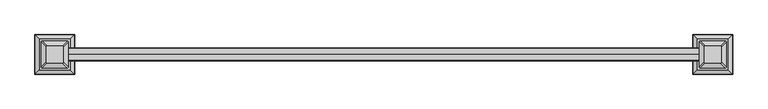
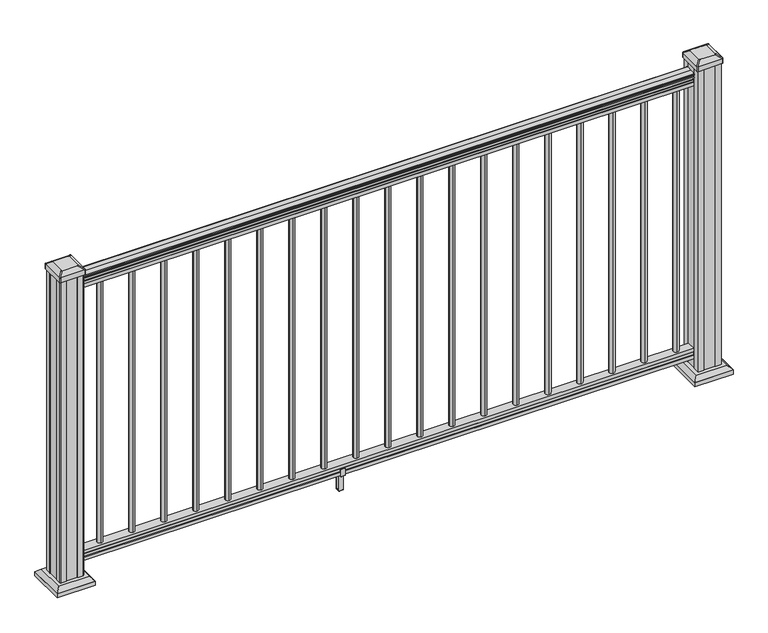
"""IFC4 building model written with IfcOpenShell, lengths in millimetres: railing geometry."""

from ifc_helpers import new_model, si_unit, point, frame, frame_2d, origin, origin_with_axes, place, context, project, spatial, polyline, circle_curve, trimmed, segment, composite_curve, outline, extrude, faceted_brep, source, transform, mapped, element, save
from ifc_brep_helpers import plane_surface, cylinder_surface, revolved_surface, extruded_surface, advanced_brep


def railing_d47a50ef(model_context):
    return source(origin(), model_context, "Body", "SolidModel", [
        advanced_brep(
        [(19144.2024269, -21587.0902081, 1090.8043297), (19144.2024269, -21587.0902081, 1092.692412), (19144.2024269, -21585.9600218, 1094.2546695), (19144.2024269, -21585.9600218, 1101.4726458), (19144.2024269, -21586.6092782, 1103.9060812), (19144.2024269, -21584.1092782, 1108.2362083), (19144.2024269, -21582.6999357, 1109.9157972), (19144.2024269, -21582.2980367, 1111.0205318), (19144.2024269, -21582.2980368, 1112.3608158), (19144.2024269, -21583.851484, 1113.914263), (19144.2024269, -21604.5230368, 1113.914263), (19144.2024269, -21625.1945896, 1113.914263), (19144.2024269, -21626.7480368, 1112.3608158), (19144.2024269, -21626.7480368, 1111.0205318), (19144.2024269, -21626.3461379, 1109.9157972), (19144.2024269, -21624.9367954, 1108.2362083), (19144.2024269, -21622.4367954, 1103.9060812), (19144.2024269, -21623.0860518, 1101.4726458), (19144.2024269, -21623.0860518, 1094.2546695), (19144.2024269, -21621.9558655, 1092.692412), (19144.2024269, -21621.9558656, 1090.8043297), (19144.2024269, -21619.3820368, 1090.8043297), (19144.2024269, -21619.3820368, 1080.3048283), (19144.2024269, -21620.3980368, 1079.2888283), (19144.2024269, -21620.3980368, 1066.8), (19144.2024269, -21588.6480368, 1066.8), (19144.2024269, -21588.6480368, 1079.131013), (19144.2024269, -21589.6640368, 1080.147013), (19144.2024269, -21589.6640368, 1090.8043297), (17010.6024269, -21587.0902081, 1090.8043297), (17010.6024269, -21589.6640368, 1090.8043297), (17010.6024269, -21589.6640368, 1080.147013), (17010.6024269, -21588.6480368, 1079.131013), (17010.6024269, -21588.6480368, 1066.8), (17010.6024269, -21620.3980368, 1066.8), (17010.6024269, -21620.3980368, 1079.2888283), (17010.6024269, -21619.3820368, 1080.3048283), (17010.6024269, -21619.3820368, 1090.8043297), (17010.6024269, -21621.9558655, 1090.8043297), (17010.6024269, -21621.9558655, 1092.692412), (17010.6024269, -21623.0860518, 1094.2546695), (17010.6024269, -21623.0860518, 1101.4726458), (17010.6024269, -21622.4367954, 1103.9060812), (17010.6024269, -21624.9367954, 1108.2362083), (17010.6024269, -21626.3461379, 1109.9157972), (17010.6024269, -21626.7480369, 1111.0205318), (17010.6024269, -21626.7480368, 1112.3608158), (17010.6024269, -21625.1945896, 1113.914263), (17010.6024269, -21604.5230368, 1113.914263), (17010.6024269, -21583.851484, 1113.914263), (17010.6024269, -21582.2980368, 1112.3608158), (17010.6024269, -21582.2980368, 1111.0205318), (17010.6024269, -21582.6999357, 1109.9157972), (17010.6024269, -21584.1092782, 1108.2362083), (17010.6024269, -21586.6092782, 1103.9060812), (17010.6024269, -21585.9600218, 1101.4726458), (17010.6024269, -21585.9600218, 1094.2546695), (17010.6024269, -21587.0902081, 1092.692412)],
        [
            (0, 1),
            (1, 2, circle_curve(frame((19144.2024269, -21593.4049614, 1098.4506383), z_axis=(1.0, 0.0, 0.0), x_axis=(0.0, -1.0, 0.0)), 8.545951)),
            (2, 3, circle_curve(frame((19144.2024269, -21592.9678984, 1097.8636577), z_axis=(1.0, 0.0, 0.0), x_axis=(0.0, -1.0, 0.0)), 7.882584)),
            (3, 4, circle_curve(frame((19144.2024269, -21582.4545743, 1103.7112527), z_axis=(-1.0, 0.0, 0.0), x_axis=(0.0, -1.0, 0.0)), 4.1592695)),
            (4, 5, circle_curve(frame((19144.2024269, -21581.1672677, 1103.6508864), z_axis=(-1.0, 0.0, 0.0), x_axis=(0.0, -1.0, 0.0)), 5.4479907)),
            (5, 6, circle_curve(frame((19144.2024269, -21582.4004262, 1108.233395), z_axis=(-1.0, 0.0, 0.0), x_axis=(0.0, -1.0, 0.0)), 1.7088543)),
            (6, 7, circle_curve(frame((19144.2024269, -21584.0173262, 1111.0205318), z_axis=(1.0, 0.0, 0.0), x_axis=(0.0, -1.0, 0.0)), 1.7192895)),
            (7, 8),
            (8, 9, circle_curve(frame((19144.2024269, -21583.851484, 1112.3608158), z_axis=(1.0, 0.0, 0.0), x_axis=(0.0, -1.0, 0.0)), 1.5534472)),
            (9, 10),
            (10, 11),
            (11, 12, circle_curve(frame((19144.2024269, -21625.1945896, 1112.3608158), z_axis=(1.0, 0.0, 0.0), x_axis=(0.0, 1.0, 0.0)), 1.5534472)),
            (12, 13),
            (13, 14, circle_curve(frame((19144.2024269, -21625.0287474, 1111.0205318), z_axis=(1.0, 0.0, 0.0), x_axis=(0.0, 1.0, 0.0)), 1.7192895)),
            (14, 15, circle_curve(frame((19144.2024269, -21626.6456475, 1108.233395), z_axis=(-1.0, 0.0, 0.0), x_axis=(0.0, 1.0, 0.0)), 1.7088543)),
            (15, 16, circle_curve(frame((19144.2024269, -21627.8788059, 1103.6508864), z_axis=(-1.0, 0.0, 0.0), x_axis=(0.0, 1.0, 0.0)), 5.4479907)),
            (16, 17, circle_curve(frame((19144.2024269, -21626.5914994, 1103.7112527), z_axis=(-1.0, 0.0, 0.0), x_axis=(0.0, 1.0, 0.0)), 4.1592695)),
            (17, 18, circle_curve(frame((19144.2024269, -21616.0781752, 1097.8636577), z_axis=(1.0, 0.0, 0.0), x_axis=(0.0, 1.0, 0.0)), 7.882584)),
            (18, 19, circle_curve(frame((19144.2024269, -21615.6411123, 1098.4506383), z_axis=(1.0, 0.0, 0.0), x_axis=(0.0, 1.0, 0.0)), 8.545951)),
            (19, 20),
            (20, 21, circle_curve(frame((19144.2024269, -21620.6689512, 1090.8043297), z_axis=(1.0, 0.0, 0.0), x_axis=(0.0, 1.0, 0.0)), 1.2869144)),
            (21, 22),
            (22, 23),
            (23, 24),
            (24, 25),
            (25, 26),
            (26, 27),
            (27, 28),
            (28, 0, circle_curve(frame((19144.2024269, -21588.3771224, 1090.8043297), z_axis=(1.0, 0.0, 0.0), x_axis=(0.0, -1.0, 0.0)), 1.2869144)),
            (29, 30, circle_curve(frame((17010.6024269, -21588.3771224, 1090.8043297), z_axis=(-1.0, 0.0, 0.0), x_axis=(0.0, -1.0, 0.0)), 1.2869144)),
            (30, 31),
            (31, 32),
            (32, 33),
            (33, 34),
            (34, 35),
            (35, 36),
            (36, 37),
            (37, 38, circle_curve(frame((17010.6024269, -21620.6689512, 1090.8043297), z_axis=(-1.0, 0.0, 0.0), x_axis=(0.0, 1.0, 0.0)), 1.2869144)),
            (38, 39),
            (39, 40, circle_curve(frame((17010.6024269, -21615.6411123, 1098.4506383), z_axis=(-1.0, 0.0, 0.0), x_axis=(0.0, 1.0, 0.0)), 8.545951)),
            (40, 41, circle_curve(frame((17010.6024269, -21616.0781752, 1097.8636577), z_axis=(-1.0, 0.0, 0.0), x_axis=(0.0, 1.0, 0.0)), 7.882584)),
            (41, 42, circle_curve(frame((17010.6024269, -21626.5914994, 1103.7112527), z_axis=(1.0, 0.0, 0.0), x_axis=(0.0, 1.0, 0.0)), 4.1592695)),
            (42, 43, circle_curve(frame((17010.6024269, -21627.8788059, 1103.6508864), z_axis=(1.0, 0.0, 0.0), x_axis=(0.0, 1.0, 0.0)), 5.4479907)),
            (43, 44, circle_curve(frame((17010.6024269, -21626.6456475, 1108.233395), z_axis=(1.0, 0.0, 0.0), x_axis=(0.0, 1.0, 0.0)), 1.7088543)),
            (44, 45, circle_curve(frame((17010.6024269, -21625.0287474, 1111.0205318), z_axis=(-1.0, 0.0, 0.0), x_axis=(0.0, 1.0, 0.0)), 1.7192895)),
            (45, 46),
            (46, 47, circle_curve(frame((17010.6024269, -21625.1945896, 1112.3608158), z_axis=(-1.0, 0.0, 0.0), x_axis=(0.0, 1.0, 0.0)), 1.5534472)),
            (47, 48),
            (48, 49),
            (49, 50, circle_curve(frame((17010.6024269, -21583.851484, 1112.3608158), z_axis=(-1.0, 0.0, 0.0), x_axis=(0.0, -1.0, 0.0)), 1.5534472)),
            (50, 51),
            (51, 52, circle_curve(frame((17010.6024269, -21584.0173262, 1111.0205318), z_axis=(-1.0, 0.0, 0.0), x_axis=(0.0, -1.0, 0.0)), 1.7192895)),
            (52, 53, circle_curve(frame((17010.6024269, -21582.4004262, 1108.233395), z_axis=(1.0, 0.0, 0.0), x_axis=(0.0, -1.0, 0.0)), 1.7088543)),
            (53, 54, circle_curve(frame((17010.6024269, -21581.1672677, 1103.6508864), z_axis=(1.0, 0.0, 0.0), x_axis=(0.0, -1.0, 0.0)), 5.4479907)),
            (54, 55, circle_curve(frame((17010.6024269, -21582.4545743, 1103.7112527), z_axis=(1.0, 0.0, 0.0), x_axis=(0.0, -1.0, 0.0)), 4.1592695)),
            (55, 56, circle_curve(frame((17010.6024269, -21592.9678984, 1097.8636577), z_axis=(-1.0, 0.0, 0.0), x_axis=(0.0, -1.0, 0.0)), 7.882584)),
            (56, 57, circle_curve(frame((17010.6024269, -21593.4049614, 1098.4506383), z_axis=(-1.0, 0.0, 0.0), x_axis=(0.0, -1.0, 0.0)), 8.545951)),
            (57, 29),
            (28, 30),
            (29, 0),
            (27, 31),
            (26, 32),
            (25, 33),
            (24, 34),
            (23, 35),
            (22, 36),
            (21, 37),
            (20, 38),
            (19, 39),
            (18, 40),
            (17, 41),
            (16, 42),
            (15, 43),
            (14, 44),
            (13, 45),
            (12, 46),
            (11, 47),
            (10, 48),
            (9, 49),
            (8, 50),
            (7, 51),
            (6, 52),
            (5, 53),
            (4, 54),
            (3, 55),
            (2, 56),
            (1, 57),
        ],
        [
            plane_surface(frame((19144.2024269, -21604.5230368, 1066.8), z_axis=(1.0, 0.0, 0.0), x_axis=(0.0, -1.0, 0.0))),
            plane_surface(frame((17010.6024269, -21604.5230368, 1066.8), z_axis=(-1.0, 0.0, 0.0), x_axis=(0.0, -1.0, 0.0))),
            cylinder_surface(frame((19144.2024269, -21588.3771224, 1090.8043297), z_axis=(1.0, 0.0, 0.0), x_axis=(0.0, -1.0, 0.0)), 1.2869144),
            plane_surface(frame((19144.2024269, -21589.6640368, 1080.147013), z_axis=(0.0, 1.0, 0.0), x_axis=(-1.0, 0.0, 0.0))),
            plane_surface(frame((19144.2024269, -21588.6480368, 1079.131013), z_axis=(0.0, 0.7071067811865395, 0.7071067811865556), x_axis=(-1.0, 0.0, 0.0))),
            plane_surface(frame((19144.2024269, -21588.6480368, 1066.8), z_axis=(0.0, 1.0, 0.0), x_axis=(-1.0, 0.0, 0.0))),
            plane_surface(frame((19144.2024269, -21620.3980368, 1066.8), z_axis=(0.0, 0.0, -1.0), x_axis=(-1.0, 0.0, 0.0))),
            plane_surface(frame((19144.2024269, -21620.3980368, 1079.2888283), z_axis=(0.0, -1.0, 0.0), x_axis=(-1.0, 0.0, 0.0))),
            plane_surface(frame((19144.2024269, -21619.3820368, 1080.3048283), z_axis=(0.0, -0.7071067811865432, 0.707106781186552), x_axis=(-1.0, 0.0, 0.0))),
            plane_surface(frame((19144.2024269, -21619.3820368, 1090.8043297), z_axis=(0.0, -1.0, 0.0), x_axis=(-1.0, 0.0, 0.0))),
            cylinder_surface(frame((19144.2024269, -21620.6689512, 1090.8043297), z_axis=(1.0, 0.0, 0.0), x_axis=(0.0, 1.0, 0.0)), 1.2869144),
            plane_surface(frame((19144.2024269, -21621.9558656, 1092.692412), z_axis=(0.0, -1.0, 0.0), x_axis=(-1.0, 0.0, 0.0))),
            cylinder_surface(frame((19144.2024269, -21615.6411123, 1098.4506383), z_axis=(1.0, 0.0, 0.0), x_axis=(0.0, 1.0, 0.0)), 8.545951),
            cylinder_surface(frame((19144.2024269, -21616.0781752, 1097.8636577), z_axis=(1.0, 0.0, 0.0), x_axis=(0.0, 1.0, 0.0)), 7.882584),
            revolved_surface(polyline([(17010.6024269, -21622.4322299, 1103.7112527), (19144.2024269, -21622.4322299, 1103.7112527)]), (19144.2024269, -21626.5914994, 1103.7112527), (-1.0, 0.0, 0.0)),
            revolved_surface(polyline([(17010.6024269, -21622.4308152, 1103.6508864), (19144.2024269, -21622.4308152, 1103.6508864)]), (19144.2024269, -21627.8788059, 1103.6508864), (-1.0, 0.0, 0.0)),
            revolved_surface(polyline([(17010.6024269, -21624.936793200002, 1108.233395), (19144.2024269, -21624.936793200002, 1108.233395)]), (19144.2024269, -21626.6456475, 1108.233395), (-1.0, 0.0, 0.0)),
            cylinder_surface(frame((19144.2024269, -21625.0287474, 1111.0205318), z_axis=(1.0, 0.0, 0.0), x_axis=(0.0, 1.0, 0.0)), 1.7192895),
            plane_surface(frame((19144.2024269, -21626.7480368, 1112.3608158), z_axis=(0.0, -1.0, 0.0), x_axis=(-1.0, 0.0, 0.0))),
            cylinder_surface(frame((19144.2024269, -21625.1945896, 1112.3608158), z_axis=(1.0, 0.0, 0.0), x_axis=(0.0, 1.0, 0.0)), 1.5534472),
            plane_surface(frame((19144.2024269, -21604.5230368, 1113.914263), z_axis=(0.0, 0.0, 1.0), x_axis=(-1.0, 0.0, 0.0))),
            plane_surface(frame((19144.2024269, -21583.851484, 1113.914263), z_axis=(0.0, 0.0, 1.0), x_axis=(-1.0, 0.0, 0.0))),
            cylinder_surface(frame((19144.2024269, -21583.851484, 1112.3608158), z_axis=(1.0, 0.0, 0.0), x_axis=(0.0, -1.0, 0.0)), 1.5534472),
            plane_surface(frame((19144.2024269, -21582.2980368, 1111.0205318), z_axis=(0.0, 1.0, 0.0), x_axis=(-1.0, 0.0, 0.0))),
            cylinder_surface(frame((19144.2024269, -21584.0173262, 1111.0205318), z_axis=(1.0, 0.0, 0.0), x_axis=(0.0, -1.0, 0.0)), 1.7192895),
            revolved_surface(polyline([(17010.6024269, -21584.1092805, 1108.233395), (19144.2024269, -21584.1092805, 1108.233395)]), (19144.2024269, -21582.4004262, 1108.233395), (-1.0, 0.0, 0.0)),
            revolved_surface(polyline([(17010.6024269, -21586.615258399997, 1103.6508864), (19144.2024269, -21586.615258399997, 1103.6508864)]), (19144.2024269, -21581.1672677, 1103.6508864), (-1.0, 0.0, 0.0)),
            revolved_surface(polyline([(17010.6024269, -21586.6138438, 1103.7112527), (19144.2024269, -21586.6138438, 1103.7112527)]), (19144.2024269, -21582.4545743, 1103.7112527), (-1.0, 0.0, 0.0)),
            cylinder_surface(frame((19144.2024269, -21592.9678984, 1097.8636577), z_axis=(1.0, 0.0, 0.0), x_axis=(0.0, -1.0, 0.0)), 7.882584),
            cylinder_surface(frame((19144.2024269, -21593.4049614, 1098.4506383), z_axis=(1.0, 0.0, 0.0), x_axis=(0.0, -1.0, 0.0)), 8.545951),
            plane_surface(frame((19144.2024269, -21587.0902081, 1090.8043297), z_axis=(0.0, 1.0, 0.0), x_axis=(-1.0, 0.0, 0.0))),
        ],
        [
            (0, [[1, 2, 3, 4, 5, 6, 7, 8, 9, 10, 11, 12, 13, 14, 15, 16, 17, 18, 19, 20, 21, 22, 23, 24, 25, 26, 27, 28, 29]]),
            (1, [[30, 31, 32, 33, 34, 35, 36, 37, 38, 39, 40, 41, 42, 43, 44, 45, 46, 47, 48, 49, 50, 51, 52, 53, 54, 55, 56, 57, 58]]),
            (2, [[-29, 59, -30, 60]]),
            (3, [[-28, 61, -31, -59]]),
            (4, [[-27, 62, -32, -61]]),
            (5, [[-26, 63, -33, -62]]),
            (6, [[-25, 64, -34, -63]]),
            (7, [[-24, 65, -35, -64]]),
            (8, [[-23, 66, -36, -65]]),
            (9, [[-22, 67, -37, -66]]),
            (10, [[-21, 68, -38, -67]]),
            (11, [[-20, 69, -39, -68]]),
            (12, [[-19, 70, -40, -69]]),
            (13, [[-18, 71, -41, -70]]),
            (14, [[-17, 72, -42, -71]]),
            (15, [[-16, 73, -43, -72]]),
            (16, [[-15, 74, -44, -73]]),
            (17, [[-14, 75, -45, -74]]),
            (18, [[-13, 76, -46, -75]]),
            (19, [[-12, 77, -47, -76]]),
            (20, [[-11, 78, -48, -77]]),
            (21, [[-10, 79, -49, -78]]),
            (22, [[-9, 80, -50, -79]]),
            (23, [[-8, 81, -51, -80]]),
            (24, [[-7, 82, -52, -81]]),
            (25, [[-6, 83, -53, -82]]),
            (26, [[-5, 84, -54, -83]]),
            (27, [[-4, 85, -55, -84]]),
            (28, [[-3, 86, -56, -85]]),
            (29, [[-2, 87, -57, -86]]),
            (30, [[-1, -60, -58, -87]]),
        ],
    ),
        faceted_brep([(19144.2024269, -21588.6105499, 76.0541976), (19144.2024269, -21589.6265499, 77.3546183), (19144.2024269, -21589.6265499, 87.7141717), (19144.2024269, -21588.6105499, 89.0624492), (19144.2024269, -21588.6105499, 101.5958781), (19144.2024269, -21620.3605499, 101.5958781), (19144.2024269, -21620.3605499, 89.0458024), (19144.2024269, -21619.3445499, 87.6975248), (19144.2024269, -21619.3445499, 77.3858283), (19144.2024269, -21620.3605499, 76.0375508), (19144.2024269, -21620.3605499, 63.5), (19144.2024269, -21588.6105499, 63.5), (17010.6024269, -21588.6105499, 76.0541976), (17010.6024269, -21588.6105499, 63.5), (17010.6024269, -21620.3605499, 63.5), (17010.6024269, -21620.3605499, 76.0375508), (17010.6024269, -21619.3445499, 77.3858283), (17010.6024269, -21619.3445499, 87.6975248), (17010.6024269, -21620.3605499, 89.0458024), (17010.6024269, -21620.3605499, 101.5958781), (17010.6024269, -21588.6105499, 101.5958781), (17010.6024269, -21588.6105499, 89.0624492), (17010.6024269, -21589.6265499, 87.7141717), (17010.6024269, -21589.6265499, 77.3546183)], [[[0, 1, 2, 3, 4, 5, 6, 7, 8, 9, 10, 11]], [[12, 13, 14, 15, 16, 17, 18, 19, 20, 21, 22, 23]], [[0, 11, 13, 12]], [[11, 10, 14, 13]], [[10, 9, 15, 14]], [[9, 8, 16, 15]], [[8, 7, 17, 16]], [[7, 6, 18, 17]], [[6, 5, 19, 18]], [[5, 4, 20, 19]], [[4, 3, 21, 20]], [[3, 2, 22, 21]], [[2, 1, 23, 22]], [[1, 0, 12, 23]]]),
        extrude(outline(composite_curve([segment(trimmed(circle_curve(frame_2d((17089.3424269, -21604.5230368)), 9.525), [point((17089.3424269, -21594.9980368))], [point((17098.8674269, -21604.5230368))], False, "CARTESIAN"), True, "CONTINUOUS"), segment(trimmed(circle_curve(frame_2d((17089.3424269, -21604.5230368)), 9.525), [point((17098.8674269, -21604.5230368))], [point((17089.3424269, -21614.0480368))], False, "CARTESIAN"), True, "CONTINUOUS"), segment(trimmed(circle_curve(frame_2d((17089.3424269, -21604.5230368)), 9.525), [point((17089.3424269, -21614.0480368))], [point((17079.8174269, -21604.5230368))], False, "CARTESIAN"), True, "CONTINUOUS"), segment(trimmed(circle_curve(frame_2d((17089.3424269, -21604.5230368)), 9.525), [point((17079.8174269, -21604.5230368))], [point((17089.3424269, -21594.9980368))], False, "CARTESIAN"), True, "CONTINUOUS")], self_intersect=False)), frame((0.0, 0.0, 101.5958781), z_axis=(0.0, 0.0, 1.0), x_axis=(1.0, 0.0, 0.0)), (0.0, 0.0, 1.0), 965.2041219),
        extrude(outline(composite_curve([segment(trimmed(circle_curve(frame_2d((17200.5944269, -21604.5230368)), 9.525), [point((17200.5944269, -21594.9980368))], [point((17210.1194269, -21604.5230368))], False, "CARTESIAN"), True, "CONTINUOUS"), segment(trimmed(circle_curve(frame_2d((17200.5944269, -21604.5230368)), 9.525), [point((17210.1194269, -21604.5230368))], [point((17200.5944269, -21614.0480368))], False, "CARTESIAN"), True, "CONTINUOUS"), segment(trimmed(circle_curve(frame_2d((17200.5944269, -21604.5230368)), 9.525), [point((17200.5944269, -21614.0480368))], [point((17191.0694269, -21604.5230368))], False, "CARTESIAN"), True, "CONTINUOUS"), segment(trimmed(circle_curve(frame_2d((17200.5944269, -21604.5230368)), 9.525), [point((17191.0694269, -21604.5230368))], [point((17200.5944269, -21594.9980368))], False, "CARTESIAN"), True, "CONTINUOUS")], self_intersect=False)), frame((0.0, 0.0, 101.5958781), z_axis=(0.0, 0.0, 1.0), x_axis=(1.0, 0.0, 0.0)), (0.0, 0.0, 1.0), 965.2041219),
        extrude(outline(composite_curve([segment(trimmed(circle_curve(frame_2d((17311.8464269, -21604.5230368)), 9.525), [point((17311.8464269, -21594.9980368))], [point((17321.3714269, -21604.5230368))], False, "CARTESIAN"), True, "CONTINUOUS"), segment(trimmed(circle_curve(frame_2d((17311.8464269, -21604.5230368)), 9.525), [point((17321.3714269, -21604.5230368))], [point((17311.8464269, -21614.0480368))], False, "CARTESIAN"), True, "CONTINUOUS"), segment(trimmed(circle_curve(frame_2d((17311.8464269, -21604.5230368)), 9.525), [point((17311.8464269, -21614.0480368))], [point((17302.3214269, -21604.5230368))], False, "CARTESIAN"), True, "CONTINUOUS"), segment(trimmed(circle_curve(frame_2d((17311.8464269, -21604.5230368)), 9.525), [point((17302.3214269, -21604.5230368))], [point((17311.8464269, -21594.9980368))], False, "CARTESIAN"), True, "CONTINUOUS")], self_intersect=False)), frame((0.0, 0.0, 101.5958781), z_axis=(0.0, 0.0, 1.0), x_axis=(1.0, 0.0, 0.0)), (0.0, 0.0, 1.0), 965.2041219),
        extrude(outline(composite_curve([segment(trimmed(circle_curve(frame_2d((17423.0984269, -21604.5230368)), 9.525), [point((17423.0984269, -21594.9980368))], [point((17432.6234269, -21604.5230368))], False, "CARTESIAN"), True, "CONTINUOUS"), segment(trimmed(circle_curve(frame_2d((17423.0984269, -21604.5230368)), 9.525), [point((17432.6234269, -21604.5230368))], [point((17423.0984269, -21614.0480368))], False, "CARTESIAN"), True, "CONTINUOUS"), segment(trimmed(circle_curve(frame_2d((17423.0984269, -21604.5230368)), 9.525), [point((17423.0984269, -21614.0480368))], [point((17413.5734269, -21604.5230368))], False, "CARTESIAN"), True, "CONTINUOUS"), segment(trimmed(circle_curve(frame_2d((17423.0984269, -21604.5230368)), 9.525), [point((17413.5734269, -21604.5230368))], [point((17423.0984269, -21594.9980368))], False, "CARTESIAN"), True, "CONTINUOUS")], self_intersect=False)), frame((0.0, 0.0, 101.5958781), z_axis=(0.0, 0.0, 1.0), x_axis=(1.0, 0.0, 0.0)), (0.0, 0.0, 1.0), 965.2041219),
        extrude(outline(composite_curve([segment(trimmed(circle_curve(frame_2d((17534.3504269, -21604.5230368)), 9.525), [point((17534.3504269, -21594.9980368))], [point((17543.8754269, -21604.5230368))], False, "CARTESIAN"), True, "CONTINUOUS"), segment(trimmed(circle_curve(frame_2d((17534.3504269, -21604.5230368)), 9.525), [point((17543.8754269, -21604.5230368))], [point((17534.3504269, -21614.0480368))], False, "CARTESIAN"), True, "CONTINUOUS"), segment(trimmed(circle_curve(frame_2d((17534.3504269, -21604.5230368)), 9.525), [point((17534.3504269, -21614.0480368))], [point((17524.8254269, -21604.5230368))], False, "CARTESIAN"), True, "CONTINUOUS"), segment(trimmed(circle_curve(frame_2d((17534.3504269, -21604.5230368)), 9.525), [point((17524.8254269, -21604.5230368))], [point((17534.3504269, -21594.9980368))], False, "CARTESIAN"), True, "CONTINUOUS")], self_intersect=False)), frame((0.0, 0.0, 101.5958781), z_axis=(0.0, 0.0, 1.0), x_axis=(1.0, 0.0, 0.0)), (0.0, 0.0, 1.0), 965.2041219),
        extrude(outline(composite_curve([segment(trimmed(circle_curve(frame_2d((17645.6024269, -21604.5230368)), 9.525), [point((17645.6024269, -21594.9980368))], [point((17655.1274269, -21604.5230368))], False, "CARTESIAN"), True, "CONTINUOUS"), segment(trimmed(circle_curve(frame_2d((17645.6024269, -21604.5230368)), 9.525), [point((17655.1274269, -21604.5230368))], [point((17645.6024269, -21614.0480368))], False, "CARTESIAN"), True, "CONTINUOUS"), segment(trimmed(circle_curve(frame_2d((17645.6024269, -21604.5230368)), 9.525), [point((17645.6024269, -21614.0480368))], [point((17636.0774269, -21604.5230368))], False, "CARTESIAN"), True, "CONTINUOUS"), segment(trimmed(circle_curve(frame_2d((17645.6024269, -21604.5230368)), 9.525), [point((17636.0774269, -21604.5230368))], [point((17645.6024269, -21594.9980368))], False, "CARTESIAN"), True, "CONTINUOUS")], self_intersect=False)), frame((0.0, 0.0, 101.5958781), z_axis=(0.0, 0.0, 1.0), x_axis=(1.0, 0.0, 0.0)), (0.0, 0.0, 1.0), 965.2041219),
        extrude(outline(composite_curve([segment(trimmed(circle_curve(frame_2d((17756.8544269, -21604.5230368)), 9.525), [point((17756.8544269, -21594.9980368))], [point((17766.3794269, -21604.5230368))], False, "CARTESIAN"), True, "CONTINUOUS"), segment(trimmed(circle_curve(frame_2d((17756.8544269, -21604.5230368)), 9.525), [point((17766.3794269, -21604.5230368))], [point((17756.8544269, -21614.0480368))], False, "CARTESIAN"), True, "CONTINUOUS"), segment(trimmed(circle_curve(frame_2d((17756.8544269, -21604.5230368)), 9.525), [point((17756.8544269, -21614.0480368))], [point((17747.3294269, -21604.5230368))], False, "CARTESIAN"), True, "CONTINUOUS"), segment(trimmed(circle_curve(frame_2d((17756.8544269, -21604.5230368)), 9.525), [point((17747.3294269, -21604.5230368))], [point((17756.8544269, -21594.9980368))], False, "CARTESIAN"), True, "CONTINUOUS")], self_intersect=False)), frame((0.0, 0.0, 101.5958781), z_axis=(0.0, 0.0, 1.0), x_axis=(1.0, 0.0, 0.0)), (0.0, 0.0, 1.0), 965.2041219),
        extrude(outline(composite_curve([segment(trimmed(circle_curve(frame_2d((17868.1064269, -21604.5230368)), 9.525), [point((17868.1064269, -21594.9980368))], [point((17877.6314269, -21604.5230368))], False, "CARTESIAN"), True, "CONTINUOUS"), segment(trimmed(circle_curve(frame_2d((17868.1064269, -21604.5230368)), 9.525), [point((17877.6314269, -21604.5230368))], [point((17868.1064269, -21614.0480368))], False, "CARTESIAN"), True, "CONTINUOUS"), segment(trimmed(circle_curve(frame_2d((17868.1064269, -21604.5230368)), 9.525), [point((17868.1064269, -21614.0480368))], [point((17858.5814269, -21604.5230368))], False, "CARTESIAN"), True, "CONTINUOUS"), segment(trimmed(circle_curve(frame_2d((17868.1064269, -21604.5230368)), 9.525), [point((17858.5814269, -21604.5230368))], [point((17868.1064269, -21594.9980368))], False, "CARTESIAN"), True, "CONTINUOUS")], self_intersect=False)), frame((0.0, 0.0, 101.5958781), z_axis=(0.0, 0.0, 1.0), x_axis=(1.0, 0.0, 0.0)), (0.0, 0.0, 1.0), 965.2041219),
        extrude(outline(polyline([(-21622.6840356, 88.7203979), (-21620.652036, 88.7203979), (-21619.6360363, 87.7043953), (-21619.6360363, 77.2686081), (-21620.652036, 76.2526073), (-21620.652036, 64.262001), (-21619.8900369, 63.5000019), (-21589.1560358, 63.5000019), (-21588.3940366, 64.262001), (-21588.3940366, 76.2526073), (-21589.4100364, 77.2686081), (-21589.4100364, 87.7043953), (-21588.3940366, 88.7203979), (-21586.362037, 88.7203979), (-21585.600036, 87.9583969), (-21585.600036, 61.4680023), (-21586.362037, 60.7060013), (-21596.3950361, 60.7060013), (-21597.1570362, 59.9440012), (-21597.1570362, 0.762001), (-21597.9190372, 0.0), (-21611.1270364, 0.0), (-21611.8890365, 0.7620001), (-21611.8890365, 59.9440012), (-21612.6510366, 60.7060013), (-21622.6840356, 60.7060013), (-21623.4460367, 61.4680023), (-21623.4460367, 87.9583969), (-21622.6840356, 88.7203979)]), holes=[polyline([(-21601.0940364, 60.7060013), (-21607.9520362, 60.7060013), (-21608.7140363, 59.9440012), (-21608.7140363, 3.9370003), (-21607.9520391, 3.1750031), (-21601.0940364, 3.1750031), (-21600.3320363, 3.9370031), (-21600.3320363, 59.9440012), (-21601.0940364, 60.7060013)])]), frame((17916.3664269, 0.0, 0.0), z_axis=(1.0, 0.0, 0.0), x_axis=(0.0, 1.0, 0.0)), (0.0, 0.0, 1.0), 14.732),
        extrude(outline(composite_curve([segment(trimmed(circle_curve(frame_2d((17979.3584269, -21604.5230368)), 9.525), [point((17979.3584269, -21594.9980368))], [point((17988.8834269, -21604.5230368))], False, "CARTESIAN"), True, "CONTINUOUS"), segment(trimmed(circle_curve(frame_2d((17979.3584269, -21604.5230368)), 9.525), [point((17988.8834269, -21604.5230368))], [point((17979.3584269, -21614.0480368))], False, "CARTESIAN"), True, "CONTINUOUS"), segment(trimmed(circle_curve(frame_2d((17979.3584269, -21604.5230368)), 9.525), [point((17979.3584269, -21614.0480368))], [point((17969.8334269, -21604.5230368))], False, "CARTESIAN"), True, "CONTINUOUS"), segment(trimmed(circle_curve(frame_2d((17979.3584269, -21604.5230368)), 9.525), [point((17969.8334269, -21604.5230368))], [point((17979.3584269, -21594.9980368))], False, "CARTESIAN"), True, "CONTINUOUS")], self_intersect=False)), frame((0.0, 0.0, 101.5958781), z_axis=(0.0, 0.0, 1.0), x_axis=(1.0, 0.0, 0.0)), (0.0, 0.0, 1.0), 965.2041219),
        extrude(outline(composite_curve([segment(trimmed(circle_curve(frame_2d((18090.6104269, -21604.5230368)), 9.525), [point((18090.6104269, -21594.9980368))], [point((18100.1354269, -21604.5230368))], False, "CARTESIAN"), True, "CONTINUOUS"), segment(trimmed(circle_curve(frame_2d((18090.6104269, -21604.5230368)), 9.525), [point((18100.1354269, -21604.5230368))], [point((18090.6104269, -21614.0480368))], False, "CARTESIAN"), True, "CONTINUOUS"), segment(trimmed(circle_curve(frame_2d((18090.6104269, -21604.5230368)), 9.525), [point((18090.6104269, -21614.0480368))], [point((18081.0854269, -21604.5230368))], False, "CARTESIAN"), True, "CONTINUOUS"), segment(trimmed(circle_curve(frame_2d((18090.6104269, -21604.5230368)), 9.525), [point((18081.0854269, -21604.5230368))], [point((18090.6104269, -21594.9980368))], False, "CARTESIAN"), True, "CONTINUOUS")], self_intersect=False)), frame((0.0, 0.0, 101.5958781), z_axis=(0.0, 0.0, 1.0), x_axis=(1.0, 0.0, 0.0)), (0.0, 0.0, 1.0), 965.2041219),
        extrude(outline(composite_curve([segment(trimmed(circle_curve(frame_2d((18201.8624269, -21604.5230368)), 9.525), [point((18201.8624269, -21594.9980368))], [point((18211.3874269, -21604.5230368))], False, "CARTESIAN"), True, "CONTINUOUS"), segment(trimmed(circle_curve(frame_2d((18201.8624269, -21604.5230368)), 9.525), [point((18211.3874269, -21604.5230368))], [point((18201.8624269, -21614.0480368))], False, "CARTESIAN"), True, "CONTINUOUS"), segment(trimmed(circle_curve(frame_2d((18201.8624269, -21604.5230368)), 9.525), [point((18201.8624269, -21614.0480368))], [point((18192.3374269, -21604.5230368))], False, "CARTESIAN"), True, "CONTINUOUS"), segment(trimmed(circle_curve(frame_2d((18201.8624269, -21604.5230368)), 9.525), [point((18192.3374269, -21604.5230368))], [point((18201.8624269, -21594.9980368))], False, "CARTESIAN"), True, "CONTINUOUS")], self_intersect=False)), frame((0.0, 0.0, 101.5958781), z_axis=(0.0, 0.0, 1.0), x_axis=(1.0, 0.0, 0.0)), (0.0, 0.0, 1.0), 965.2041219),
        extrude(outline(composite_curve([segment(trimmed(circle_curve(frame_2d((18313.1144269, -21604.5230368)), 9.525), [point((18313.1144269, -21594.9980368))], [point((18322.6394269, -21604.5230368))], False, "CARTESIAN"), True, "CONTINUOUS"), segment(trimmed(circle_curve(frame_2d((18313.1144269, -21604.5230368)), 9.525), [point((18322.6394269, -21604.5230368))], [point((18313.1144269, -21614.0480368))], False, "CARTESIAN"), True, "CONTINUOUS"), segment(trimmed(circle_curve(frame_2d((18313.1144269, -21604.5230368)), 9.525), [point((18313.1144269, -21614.0480368))], [point((18303.5894269, -21604.5230368))], False, "CARTESIAN"), True, "CONTINUOUS"), segment(trimmed(circle_curve(frame_2d((18313.1144269, -21604.5230368)), 9.525), [point((18303.5894269, -21604.5230368))], [point((18313.1144269, -21594.9980368))], False, "CARTESIAN"), True, "CONTINUOUS")], self_intersect=False)), frame((0.0, 0.0, 101.5958781), z_axis=(0.0, 0.0, 1.0), x_axis=(1.0, 0.0, 0.0)), (0.0, 0.0, 1.0), 965.2041219),
        extrude(outline(composite_curve([segment(trimmed(circle_curve(frame_2d((18424.3664269, -21604.5230368)), 9.525), [point((18424.3664269, -21594.9980368))], [point((18433.8914269, -21604.5230368))], False, "CARTESIAN"), True, "CONTINUOUS"), segment(trimmed(circle_curve(frame_2d((18424.3664269, -21604.5230368)), 9.525), [point((18433.8914269, -21604.5230368))], [point((18424.3664269, -21614.0480368))], False, "CARTESIAN"), True, "CONTINUOUS"), segment(trimmed(circle_curve(frame_2d((18424.3664269, -21604.5230368)), 9.525), [point((18424.3664269, -21614.0480368))], [point((18414.8414269, -21604.5230368))], False, "CARTESIAN"), True, "CONTINUOUS"), segment(trimmed(circle_curve(frame_2d((18424.3664269, -21604.5230368)), 9.525), [point((18414.8414269, -21604.5230368))], [point((18424.3664269, -21594.9980368))], False, "CARTESIAN"), True, "CONTINUOUS")], self_intersect=False)), frame((0.0, 0.0, 101.5958781), z_axis=(0.0, 0.0, 1.0), x_axis=(1.0, 0.0, 0.0)), (0.0, 0.0, 1.0), 965.2041219),
        extrude(outline(composite_curve([segment(trimmed(circle_curve(frame_2d((18535.6184269, -21604.5230368)), 9.525), [point((18535.6184269, -21594.9980368))], [point((18545.1434269, -21604.5230368))], False, "CARTESIAN"), True, "CONTINUOUS"), segment(trimmed(circle_curve(frame_2d((18535.6184269, -21604.5230368)), 9.525), [point((18545.1434269, -21604.5230368))], [point((18535.6184269, -21614.0480368))], False, "CARTESIAN"), True, "CONTINUOUS"), segment(trimmed(circle_curve(frame_2d((18535.6184269, -21604.5230368)), 9.525), [point((18535.6184269, -21614.0480368))], [point((18526.0934269, -21604.5230368))], False, "CARTESIAN"), True, "CONTINUOUS"), segment(trimmed(circle_curve(frame_2d((18535.6184269, -21604.5230368)), 9.525), [point((18526.0934269, -21604.5230368))], [point((18535.6184269, -21594.9980368))], False, "CARTESIAN"), True, "CONTINUOUS")], self_intersect=False)), frame((0.0, 0.0, 101.5958781), z_axis=(0.0, 0.0, 1.0), x_axis=(1.0, 0.0, 0.0)), (0.0, 0.0, 1.0), 965.2041219),
        extrude(outline(composite_curve([segment(trimmed(circle_curve(frame_2d((18646.8704269, -21604.5230368)), 9.525), [point((18646.8704269, -21594.9980368))], [point((18656.3954269, -21604.5230368))], False, "CARTESIAN"), True, "CONTINUOUS"), segment(trimmed(circle_curve(frame_2d((18646.8704269, -21604.5230368)), 9.525), [point((18656.3954269, -21604.5230368))], [point((18646.8704269, -21614.0480368))], False, "CARTESIAN"), True, "CONTINUOUS"), segment(trimmed(circle_curve(frame_2d((18646.8704269, -21604.5230368)), 9.525), [point((18646.8704269, -21614.0480368))], [point((18637.3454269, -21604.5230368))], False, "CARTESIAN"), True, "CONTINUOUS"), segment(trimmed(circle_curve(frame_2d((18646.8704269, -21604.5230368)), 9.525), [point((18637.3454269, -21604.5230368))], [point((18646.8704269, -21594.9980368))], False, "CARTESIAN"), True, "CONTINUOUS")], self_intersect=False)), frame((0.0, 0.0, 101.5958781), z_axis=(0.0, 0.0, 1.0), x_axis=(1.0, 0.0, 0.0)), (0.0, 0.0, 1.0), 965.2041219),
        extrude(outline(composite_curve([segment(trimmed(circle_curve(frame_2d((18758.1224269, -21604.5230368)), 9.525), [point((18758.1224269, -21594.9980368))], [point((18767.6474269, -21604.5230368))], False, "CARTESIAN"), True, "CONTINUOUS"), segment(trimmed(circle_curve(frame_2d((18758.1224269, -21604.5230368)), 9.525), [point((18767.6474269, -21604.5230368))], [point((18758.1224269, -21614.0480368))], False, "CARTESIAN"), True, "CONTINUOUS"), segment(trimmed(circle_curve(frame_2d((18758.1224269, -21604.5230368)), 9.525), [point((18758.1224269, -21614.0480368))], [point((18748.5974269, -21604.5230368))], False, "CARTESIAN"), True, "CONTINUOUS"), segment(trimmed(circle_curve(frame_2d((18758.1224269, -21604.5230368)), 9.525), [point((18748.5974269, -21604.5230368))], [point((18758.1224269, -21594.9980368))], False, "CARTESIAN"), True, "CONTINUOUS")], self_intersect=False)), frame((0.0, 0.0, 101.5958781), z_axis=(0.0, 0.0, 1.0), x_axis=(1.0, 0.0, 0.0)), (0.0, 0.0, 1.0), 965.2041219),
        extrude(outline(composite_curve([segment(trimmed(circle_curve(frame_2d((18869.3744269, -21604.5230368)), 9.525), [point((18869.3744269, -21594.9980368))], [point((18878.8994269, -21604.5230368))], False, "CARTESIAN"), True, "CONTINUOUS"), segment(trimmed(circle_curve(frame_2d((18869.3744269, -21604.5230368)), 9.525), [point((18878.8994269, -21604.5230368))], [point((18869.3744269, -21614.0480368))], False, "CARTESIAN"), True, "CONTINUOUS"), segment(trimmed(circle_curve(frame_2d((18869.3744269, -21604.5230368)), 9.525), [point((18869.3744269, -21614.0480368))], [point((18859.8494269, -21604.5230368))], False, "CARTESIAN"), True, "CONTINUOUS"), segment(trimmed(circle_curve(frame_2d((18869.3744269, -21604.5230368)), 9.525), [point((18859.8494269, -21604.5230368))], [point((18869.3744269, -21594.9980368))], False, "CARTESIAN"), True, "CONTINUOUS")], self_intersect=False)), frame((0.0, 0.0, 101.5958781), z_axis=(0.0, 0.0, 1.0), x_axis=(1.0, 0.0, 0.0)), (0.0, 0.0, 1.0), 965.2041219),
        extrude(outline(composite_curve([segment(trimmed(circle_curve(frame_2d((18980.6264269, -21604.5230368)), 9.525), [point((18980.6264269, -21594.9980368))], [point((18990.1514269, -21604.5230368))], False, "CARTESIAN"), True, "CONTINUOUS"), segment(trimmed(circle_curve(frame_2d((18980.6264269, -21604.5230368)), 9.525), [point((18990.1514269, -21604.5230368))], [point((18980.6264269, -21614.0480368))], False, "CARTESIAN"), True, "CONTINUOUS"), segment(trimmed(circle_curve(frame_2d((18980.6264269, -21604.5230368)), 9.525), [point((18980.6264269, -21614.0480368))], [point((18971.1014269, -21604.5230368))], False, "CARTESIAN"), True, "CONTINUOUS"), segment(trimmed(circle_curve(frame_2d((18980.6264269, -21604.5230368)), 9.525), [point((18971.1014269, -21604.5230368))], [point((18980.6264269, -21594.9980368))], False, "CARTESIAN"), True, "CONTINUOUS")], self_intersect=False)), frame((0.0, 0.0, 101.5958781), z_axis=(0.0, 0.0, 1.0), x_axis=(1.0, 0.0, 0.0)), (0.0, 0.0, 1.0), 965.2041219),
        extrude(outline(composite_curve([segment(trimmed(circle_curve(frame_2d((19091.8784269, -21604.5230368)), 9.525), [point((19091.8784269, -21594.9980368))], [point((19101.4034269, -21604.5230368))], False, "CARTESIAN"), True, "CONTINUOUS"), segment(trimmed(circle_curve(frame_2d((19091.8784269, -21604.5230368)), 9.525), [point((19101.4034269, -21604.5230368))], [point((19091.8784269, -21614.0480368))], False, "CARTESIAN"), True, "CONTINUOUS"), segment(trimmed(circle_curve(frame_2d((19091.8784269, -21604.5230368)), 9.525), [point((19091.8784269, -21614.0480368))], [point((19082.3534269, -21604.5230368))], False, "CARTESIAN"), True, "CONTINUOUS"), segment(trimmed(circle_curve(frame_2d((19091.8784269, -21604.5230368)), 9.525), [point((19082.3534269, -21604.5230368))], [point((19091.8784269, -21594.9980368))], False, "CARTESIAN"), True, "CONTINUOUS")], self_intersect=False)), frame((0.0, 0.0, 101.5958781), z_axis=(0.0, 0.0, 1.0), x_axis=(1.0, 0.0, 0.0)), (0.0, 0.0, 1.0), 965.2041219),
        faceted_brep([(17021.7863644, -21551.9370993, 28.575), (16916.6144894, -21551.9370993, 28.575), (16916.6144894, -21657.1089743, 28.575), (17021.7863644, -21657.1089743, 28.575), (17035.8258176, -21537.8976462, 15.24), (17035.8258176, -21671.1484274, 15.24), (16902.5750363, -21671.1484274, 15.24), (16902.5750363, -21537.8976462, 15.24)], [[[0, 1, 2, 3]], [[4, 5, 6, 7]], [[4, 0, 3, 5]], [[5, 3, 2, 6]], [[6, 2, 1, 7]], [[7, 1, 0, 4]]]),
        extrude(outline(polyline([(17035.8258176, -21537.8976462), (17035.8258176, -21671.1484274), (16902.5750363, -21671.1484274), (16902.5750363, -21537.8976462), (17035.8258176, -21537.8976462)])), origin_with_axes(), (0.0, 0.0, 1.0), 15.24),
        advanced_brep(
        [(16998.1723019, -21630.3199118, 1165.225), (16998.1723019, -21578.7261618, 1165.225), (16994.9973019, -21575.5511618, 1165.225), (16943.4035519, -21575.5511618, 1165.225), (16940.2285519, -21578.7261618, 1165.225), (16940.2285519, -21630.3199118, 1165.225), (16943.4035519, -21633.4949118, 1165.225), (16994.9973019, -21633.4949118, 1165.225), (17014.4441769, -21646.5917868, 1153.922), (17011.2691769, -21649.7667868, 1153.922), (16927.1316769, -21649.7667868, 1153.922), (16923.9566769, -21646.5917868, 1153.922), (16923.9566769, -21562.4542868, 1153.922), (16927.1316769, -21559.2792868, 1153.922), (17011.2691769, -21559.2792868, 1153.922), (17014.4441769, -21562.4542868, 1153.922)],
        [
            (0, 1),
            (1, 2, circle_curve(frame((16994.9973019, -21578.7261618, 1165.225), z_axis=(0.0, 0.0, 1.0), x_axis=(-1.0, 0.0, 0.0)), 3.175)),
            (2, 3),
            (3, 4, circle_curve(frame((16943.4035519, -21578.7261618, 1165.225), z_axis=(0.0, 0.0, 1.0), x_axis=(-1.0, 0.0, 0.0)), 3.175)),
            (4, 5),
            (5, 6, circle_curve(frame((16943.4035519, -21630.3199118, 1165.225), z_axis=(0.0, 0.0, 1.0), x_axis=(-1.0, 0.0, 0.0)), 3.175)),
            (6, 7),
            (7, 0, circle_curve(frame((16994.9973019, -21630.3199118, 1165.225), z_axis=(0.0, 0.0, 1.0), x_axis=(-1.0, 0.0, 0.0)), 3.175)),
            (8, 9, circle_curve(frame((17011.2691769, -21646.5917868, 1153.922), z_axis=(0.0, 0.0, -1.0), x_axis=(-1.0, 0.0, 0.0)), 3.175)),
            (9, 10),
            (10, 11, circle_curve(frame((16927.1316769, -21646.5917868, 1153.922), z_axis=(0.0, 0.0, -1.0), x_axis=(-1.0, 0.0, 0.0)), 3.175)),
            (11, 12),
            (12, 13, circle_curve(frame((16927.1316769, -21562.4542868, 1153.922), z_axis=(0.0, 0.0, -1.0), x_axis=(-1.0, 0.0, 0.0)), 3.175)),
            (13, 14),
            (14, 15, circle_curve(frame((17011.2691769, -21562.4542868, 1153.922), z_axis=(0.0, 0.0, -1.0), x_axis=(-1.0, 0.0, 0.0)), 3.175)),
            (15, 8),
            (8, 0),
            (7, 9),
            (6, 10),
            (5, 11),
            (4, 12),
            (3, 13),
            (2, 14),
            (1, 15),
        ],
        [
            plane_surface(frame((16969.2004269, -21604.5230368, 1165.225), z_axis=(0.0, 0.0, 1.0), x_axis=(0.0, -1.0, 0.0))),
            plane_surface(frame((16969.2004269, -21604.5230368, 1153.922), z_axis=(0.0, 0.0, -1.0), x_axis=(0.0, -1.0, 0.0))),
            extruded_surface(trimmed(circle_curve(frame((16994.9973019, -21630.3199118, 1165.225), z_axis=(0.0, 0.0, -1.0), x_axis=(-1.0, 0.0, 0.0)), 3.175), [point((16998.1723019, -21630.3199118, 1165.225))], [point((16994.9973019, -21633.4949118, 1165.225))], True, "CARTESIAN"), (16.271875000002183, -16.271874999998545, -11.302999999999884), 25.637972638866575),
            plane_surface(frame((16969.2004269, -21649.7667868, 1153.922), z_axis=(0.0, -0.5705009161540777, 0.8212969649690409), x_axis=(-1.0, 0.0, 0.0))),
            extruded_surface(trimmed(circle_curve(frame((16943.4035519, -21630.3199118, 1165.225), z_axis=(0.0, 0.0, -1.0), x_axis=(-1.0, 0.0, 0.0)), 3.175), [point((16943.4035519, -21633.4949118, 1165.225))], [point((16940.2285519, -21630.3199118, 1165.225))], True, "CARTESIAN"), (-16.271874999998545, -16.271874999998545, -11.302999999999884), 25.637972638864262),
            plane_surface(frame((16923.9566769, -21604.5230368, 1153.922), z_axis=(-0.5705009161540291, 0.0, 0.8212969649690747), x_axis=(0.0, 1.0, 0.0))),
            extruded_surface(trimmed(circle_curve(frame((16943.4035519, -21578.7261618, 1165.225), z_axis=(0.0, 0.0, -1.0), x_axis=(-1.0, 0.0, 0.0)), 3.175), [point((16940.2285519, -21578.7261618, 1165.225))], [point((16943.4035519, -21575.5511618, 1165.225))], True, "CARTESIAN"), (-16.271874999998545, 16.271875000002183, -11.302999999999884), 25.637972638866575),
            plane_surface(frame((16969.2004269, -21559.2792868, 1153.922), z_axis=(0.0, 0.5705009161540143, 0.821296964969085), x_axis=(1.0, 0.0, 0.0))),
            extruded_surface(trimmed(circle_curve(frame((16994.9973019, -21578.7261618, 1165.225), z_axis=(0.0, 0.0, -1.0), x_axis=(-1.0, 0.0, 0.0)), 3.175), [point((16994.9973019, -21575.5511618, 1165.225))], [point((16998.1723019, -21578.7261618, 1165.225))], True, "CARTESIAN"), (16.271875000002183, 16.271875000002183, -11.302999999999884), 25.63797263886888),
            plane_surface(frame((17014.4441769, -21604.5230368, 1153.922), z_axis=(0.570500916154034, 0.0, 0.8212969649690713), x_axis=(0.0, -1.0, 0.0))),
        ],
        [
            (0, [[1, 2, 3, 4, 5, 6, 7, 8]]),
            (1, [[9, 10, 11, 12, 13, 14, 15, 16]]),
            (2, [[17, -8, 18, -9]]),
            (3, [[-18, -7, 19, -10]]),
            (4, [[-19, -6, 20, -11]]),
            (5, [[-20, -5, 21, -12]]),
            (6, [[-21, -4, 22, -13]]),
            (7, [[-22, -3, 23, -14]]),
            (8, [[-23, -2, 24, -15]]),
            (9, [[-24, -1, -17, -16]]),
        ],
    ),
        extrude(outline(composite_curve([segment(trimmed(circle_curve(frame_2d((17011.2691769, -21646.5917868)), 3.175), [point((17014.4441769, -21646.5917868))], [point((17011.2691769, -21649.7667868))], False, "CARTESIAN"), True, "CONTINUOUS"), segment(polyline([(17011.2691769, -21649.7667868), (16927.1316769, -21649.7667868)]), True, "CONTINUOUS"), segment(trimmed(circle_curve(frame_2d((16927.1316769, -21646.5917868)), 3.175), [point((16927.1316769, -21649.7667868))], [point((16923.9566769, -21646.5917868))], False, "CARTESIAN"), True, "CONTINUOUS"), segment(polyline([(16923.9566769, -21646.5917868), (16923.9566769, -21562.4542868)]), True, "CONTINUOUS"), segment(trimmed(circle_curve(frame_2d((16927.1316769, -21562.4542868)), 3.175), [point((16923.9566769, -21562.4542868))], [point((16927.1316769, -21559.2792868))], False, "CARTESIAN"), True, "CONTINUOUS"), segment(polyline([(16927.1316769, -21559.2792868), (17011.2691769, -21559.2792868)]), True, "CONTINUOUS"), segment(trimmed(circle_curve(frame_2d((17011.2691769, -21562.4542868)), 3.175), [point((17011.2691769, -21559.2792868))], [point((17014.4441769, -21562.4542868))], False, "CARTESIAN"), True, "CONTINUOUS"), segment(polyline([(17014.4441769, -21562.4542868), (17014.4441769, -21646.5917868)]), True, "CONTINUOUS")], self_intersect=False)), frame((0.0, 0.0, 1136.65), z_axis=(0.0, 0.0, 1.0), x_axis=(1.0, 0.0, 0.0)), (0.0, 0.0, 1.0), 17.272),
        extrude(outline(polyline([(17010.4754269, -21644.2105368), (17008.8879269, -21645.7980368), (16989.2664269, -21645.7980368), (16988.5044269, -21644.2105368), (16949.8964269, -21644.2105368), (16949.1344269, -21645.7980368), (16929.5129269, -21645.7980368), (16927.9254269, -21644.2105368), (16927.9254269, -21624.5890368), (16929.5129269, -21623.8270368), (16929.5129269, -21585.2190368), (16927.9254269, -21584.4570368), (16927.9254269, -21564.8355368), (16929.5129269, -21563.2480368), (16949.1344269, -21563.2480368), (16949.8964269, -21564.8355368), (16988.5044269, -21564.8355368), (16989.2664269, -21563.2480368), (17008.8879269, -21563.2480368), (17010.4754269, -21564.8355368), (17010.4754269, -21584.4570368), (17008.8879269, -21585.2190368), (17008.8879269, -21623.8270368), (17010.4754269, -21624.5890368), (17010.4754269, -21644.2105368)])), origin_with_axes(), (0.0, 0.0, 1.0), 1136.65),
        faceted_brep([(19238.1903644, -21551.9370993, 28.575), (19133.0184894, -21551.9370993, 28.575), (19133.0184894, -21657.1089743, 28.575), (19238.1903644, -21657.1089743, 28.575), (19252.2298176, -21537.8976462, 15.24), (19252.2298176, -21671.1484274, 15.24), (19118.9790363, -21671.1484274, 15.24), (19118.9790363, -21537.8976462, 15.24)], [[[0, 1, 2, 3]], [[4, 5, 6, 7]], [[4, 0, 3, 5]], [[5, 3, 2, 6]], [[6, 2, 1, 7]], [[7, 1, 0, 4]]]),
        extrude(outline(polyline([(19252.2298176, -21537.8976462), (19252.2298176, -21671.1484274), (19118.9790363, -21671.1484274), (19118.9790363, -21537.8976462), (19252.2298176, -21537.8976462)])), origin_with_axes(), (0.0, 0.0, 1.0), 15.24),
        advanced_brep(
        [(19214.5763019, -21630.3199118, 1165.225), (19214.5763019, -21578.7261618, 1165.225), (19211.4013019, -21575.5511618, 1165.225), (19159.8075519, -21575.5511618, 1165.225), (19156.6325519, -21578.7261618, 1165.225), (19156.6325519, -21630.3199118, 1165.225), (19159.8075519, -21633.4949118, 1165.225), (19211.4013019, -21633.4949118, 1165.225), (19230.8481769, -21646.5917868, 1153.922), (19227.6731769, -21649.7667868, 1153.922), (19143.5356769, -21649.7667868, 1153.922), (19140.3606769, -21646.5917868, 1153.922), (19140.3606769, -21562.4542868, 1153.922), (19143.5356769, -21559.2792868, 1153.922), (19227.6731769, -21559.2792868, 1153.922), (19230.8481769, -21562.4542868, 1153.922)],
        [
            (0, 1),
            (1, 2, circle_curve(frame((19211.4013019, -21578.7261618, 1165.225), z_axis=(0.0, 0.0, 1.0), x_axis=(-1.0, 0.0, 0.0)), 3.175)),
            (2, 3),
            (3, 4, circle_curve(frame((19159.8075519, -21578.7261618, 1165.225), z_axis=(0.0, 0.0, 1.0), x_axis=(-1.0, 0.0, 0.0)), 3.175)),
            (4, 5),
            (5, 6, circle_curve(frame((19159.8075519, -21630.3199118, 1165.225), z_axis=(0.0, 0.0, 1.0), x_axis=(-1.0, 0.0, 0.0)), 3.175)),
            (6, 7),
            (7, 0, circle_curve(frame((19211.4013019, -21630.3199118, 1165.225), z_axis=(0.0, 0.0, 1.0), x_axis=(-1.0, 0.0, 0.0)), 3.175)),
            (8, 9, circle_curve(frame((19227.6731769, -21646.5917868, 1153.922), z_axis=(0.0, 0.0, -1.0), x_axis=(-1.0, 0.0, 0.0)), 3.175)),
            (9, 10),
            (10, 11, circle_curve(frame((19143.5356769, -21646.5917868, 1153.922), z_axis=(0.0, 0.0, -1.0), x_axis=(-1.0, 0.0, 0.0)), 3.175)),
            (11, 12),
            (12, 13, circle_curve(frame((19143.5356769, -21562.4542868, 1153.922), z_axis=(0.0, 0.0, -1.0), x_axis=(-1.0, 0.0, 0.0)), 3.175)),
            (13, 14),
            (14, 15, circle_curve(frame((19227.6731769, -21562.4542868, 1153.922), z_axis=(0.0, 0.0, -1.0), x_axis=(-1.0, 0.0, 0.0)), 3.175)),
            (15, 8),
            (8, 0),
            (7, 9),
            (6, 10),
            (5, 11),
            (4, 12),
            (3, 13),
            (2, 14),
            (1, 15),
        ],
        [
            plane_surface(frame((19185.6044269, -21604.5230368, 1165.225), z_axis=(0.0, 0.0, 1.0), x_axis=(0.0, -1.0, 0.0))),
            plane_surface(frame((19185.6044269, -21604.5230368, 1153.922), z_axis=(0.0, 0.0, -1.0), x_axis=(0.0, -1.0, 0.0))),
            extruded_surface(trimmed(circle_curve(frame((19211.4013019, -21630.3199118, 1165.225), z_axis=(0.0, 0.0, -1.0), x_axis=(-1.0, 0.0, 0.0)), 3.175), [point((19214.5763019, -21630.3199118, 1165.225))], [point((19211.4013019, -21633.4949118, 1165.225))], True, "CARTESIAN"), (16.271874999998545, -16.271874999998545, -11.302999999999884), 25.637972638864262),
            plane_surface(frame((19185.6044269, -21649.7667868, 1153.922), z_axis=(0.0, -0.5705009161540777, 0.8212969649690409), x_axis=(-1.0, 0.0, 0.0))),
            extruded_surface(trimmed(circle_curve(frame((19159.8075519, -21630.3199118, 1165.225), z_axis=(0.0, 0.0, -1.0), x_axis=(-1.0, 0.0, 0.0)), 3.175), [point((19159.8075519, -21633.4949118, 1165.225))], [point((19156.6325519, -21630.3199118, 1165.225))], True, "CARTESIAN"), (-16.271875000002183, -16.271874999998545, -11.302999999999884), 25.637972638866575),
            plane_surface(frame((19140.3606769, -21604.5230368, 1153.922), z_axis=(-0.5705009161540291, 0.0, 0.8212969649690747), x_axis=(0.0, 1.0, 0.0))),
            extruded_surface(trimmed(circle_curve(frame((19159.8075519, -21578.7261618, 1165.225), z_axis=(0.0, 0.0, -1.0), x_axis=(-1.0, 0.0, 0.0)), 3.175), [point((19156.6325519, -21578.7261618, 1165.225))], [point((19159.8075519, -21575.5511618, 1165.225))], True, "CARTESIAN"), (-16.271875000002183, 16.271875000002183, -11.302999999999884), 25.63797263886888),
            plane_surface(frame((19185.6044269, -21559.2792868, 1153.922), z_axis=(0.0, 0.5705009161540143, 0.821296964969085), x_axis=(1.0, 0.0, 0.0))),
            extruded_surface(trimmed(circle_curve(frame((19211.4013019, -21578.7261618, 1165.225), z_axis=(0.0, 0.0, -1.0), x_axis=(-1.0, 0.0, 0.0)), 3.175), [point((19211.4013019, -21575.5511618, 1165.225))], [point((19214.5763019, -21578.7261618, 1165.225))], True, "CARTESIAN"), (16.271874999998545, 16.271875000002183, -11.302999999999884), 25.637972638866575),
            plane_surface(frame((19230.8481769, -21604.5230368, 1153.922), z_axis=(0.570500916154034, 0.0, 0.8212969649690713), x_axis=(0.0, -1.0, 0.0))),
        ],
        [
            (0, [[1, 2, 3, 4, 5, 6, 7, 8]]),
            (1, [[9, 10, 11, 12, 13, 14, 15, 16]]),
            (2, [[17, -8, 18, -9]]),
            (3, [[-18, -7, 19, -10]]),
            (4, [[-19, -6, 20, -11]]),
            (5, [[-20, -5, 21, -12]]),
            (6, [[-21, -4, 22, -13]]),
            (7, [[-22, -3, 23, -14]]),
            (8, [[-23, -2, 24, -15]]),
            (9, [[-24, -1, -17, -16]]),
        ],
    ),
        extrude(outline(composite_curve([segment(trimmed(circle_curve(frame_2d((19227.6731769, -21646.5917868)), 3.175), [point((19230.8481769, -21646.5917868))], [point((19227.6731769, -21649.7667868))], False, "CARTESIAN"), True, "CONTINUOUS"), segment(polyline([(19227.6731769, -21649.7667868), (19143.5356769, -21649.7667868)]), True, "CONTINUOUS"), segment(trimmed(circle_curve(frame_2d((19143.5356769, -21646.5917868)), 3.175), [point((19143.5356769, -21649.7667868))], [point((19140.3606769, -21646.5917868))], False, "CARTESIAN"), True, "CONTINUOUS"), segment(polyline([(19140.3606769, -21646.5917868), (19140.3606769, -21562.4542868)]), True, "CONTINUOUS"), segment(trimmed(circle_curve(frame_2d((19143.5356769, -21562.4542868)), 3.175), [point((19140.3606769, -21562.4542868))], [point((19143.5356769, -21559.2792868))], False, "CARTESIAN"), True, "CONTINUOUS"), segment(polyline([(19143.5356769, -21559.2792868), (19227.6731769, -21559.2792868)]), True, "CONTINUOUS"), segment(trimmed(circle_curve(frame_2d((19227.6731769, -21562.4542868)), 3.175), [point((19227.6731769, -21559.2792868))], [point((19230.8481769, -21562.4542868))], False, "CARTESIAN"), True, "CONTINUOUS"), segment(polyline([(19230.8481769, -21562.4542868), (19230.8481769, -21646.5917868)]), True, "CONTINUOUS")], self_intersect=False)), frame((0.0, 0.0, 1136.65), z_axis=(0.0, 0.0, 1.0), x_axis=(1.0, 0.0, 0.0)), (0.0, 0.0, 1.0), 17.272),
        extrude(outline(polyline([(19226.8794269, -21644.2105368), (19225.2919269, -21645.7980368), (19205.6704269, -21645.7980368), (19204.9084269, -21644.2105368), (19166.3004269, -21644.2105368), (19165.5384269, -21645.7980368), (19145.9169269, -21645.7980368), (19144.3294269, -21644.2105368), (19144.3294269, -21624.5890368), (19145.9169269, -21623.8270368), (19145.9169269, -21585.2190368), (19144.3294269, -21584.4570368), (19144.3294269, -21564.8355368), (19145.9169269, -21563.2480368), (19165.5384269, -21563.2480368), (19166.3004269, -21564.8355368), (19204.9084269, -21564.8355368), (19205.6704269, -21563.2480368), (19225.2919269, -21563.2480368), (19226.8794269, -21564.8355368), (19226.8794269, -21584.4570368), (19225.2919269, -21585.2190368), (19225.2919269, -21623.8270368), (19226.8794269, -21624.5890368), (19226.8794269, -21644.2105368)])), origin_with_axes(), (0.0, 0.0, 1.0), 1136.65),
    ])


if __name__ == "__main__":
    model = new_model("IFC4")
    model_context = context("Model", 3, world=origin())
    ifc_project = project(units=[si_unit("LENGTHUNIT", "METRE", prefix="MILLI")], contexts=[model_context])
    site = spatial("IfcSite", under=ifc_project)
    building = spatial("IfcBuilding", under=site)
    placement = place(None, origin())
    railing_shape = railing_d47a50ef(model_context)
    element("IfcRailing", 1, at=placement, inside=building, context=model_context, shape_type="MappedRepresentation", body=[
        mapped(railing_shape, transform((0.0, 0.0, 0.0), x_axis=(1.0, 0.0, 0.0), y_axis=(0.0, 1.0, 0.0), z_axis=(0.0, 0.0, 1.0))),
    ])
    save(model, "model.ifc")
